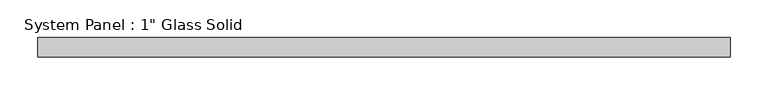
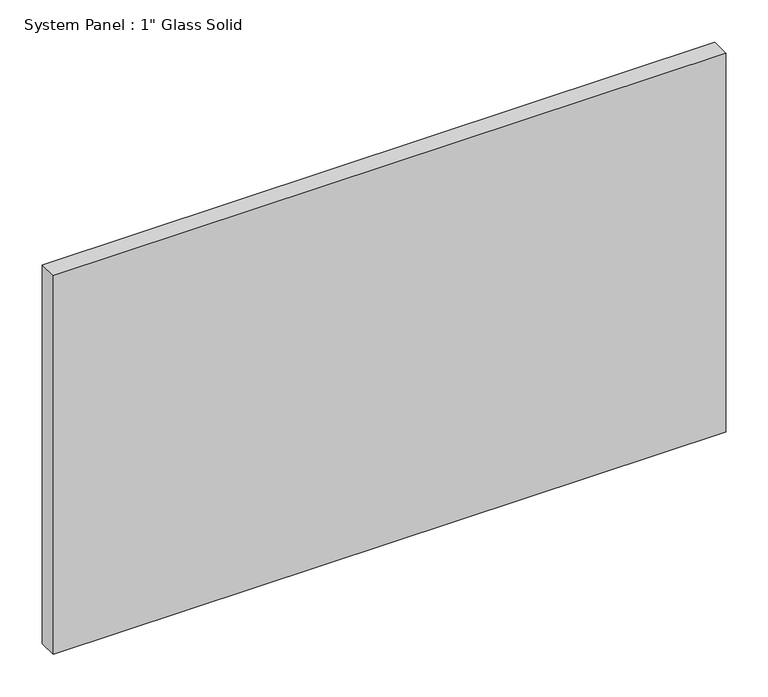
"""IFC4 building model written with IfcOpenShell, lengths in millimetres: plate geometry."""

from ifc_helpers import new_model, si_unit, origin, origin_with_axes, place, context, project, spatial, polyline, outline, extrude, source, transform, mapped, element, save


def plate_e56ca5ca(model_context):
    return source(origin(), model_context, "Body", "SweptSolid", [
        extrude(outline(polyline([(457.2, -12.7), (-457.2, -12.7), (-457.2, 12.7), (457.2, 12.7), (457.2, -12.7)])), origin_with_axes(), (0.0, 0.0, 1.0), 544.9423678),
    ])


if __name__ == "__main__":
    model = new_model("IFC4")
    model_context = context("Model", 3, world=origin())
    ifc_project = project(units=[si_unit("LENGTHUNIT", "METRE", prefix="MILLI")], contexts=[model_context])
    site = spatial("IfcSite", under=ifc_project)
    building = spatial("IfcBuilding", under=site)
    placement = place(None, origin())
    plate_shape = plate_e56ca5ca(model_context)
    element("IfcPlate", 1, ObjectType="System Panel : 1\" Glass Solid", at=placement, inside=building, context=model_context, shape_type="MappedRepresentation", body=[
        mapped(plate_shape, transform((0.0, 0.0, 0.0), x_axis=(1.0, 0.0, 0.0), y_axis=(0.0, 1.0, 0.0), z_axis=(0.0, 0.0, 1.0))),
    ])
    save(model, "model.ifc")
